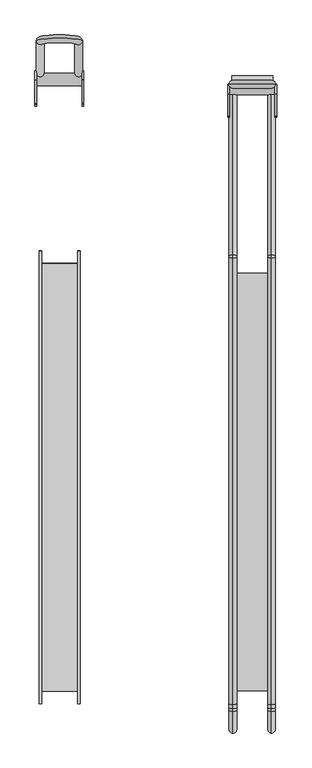
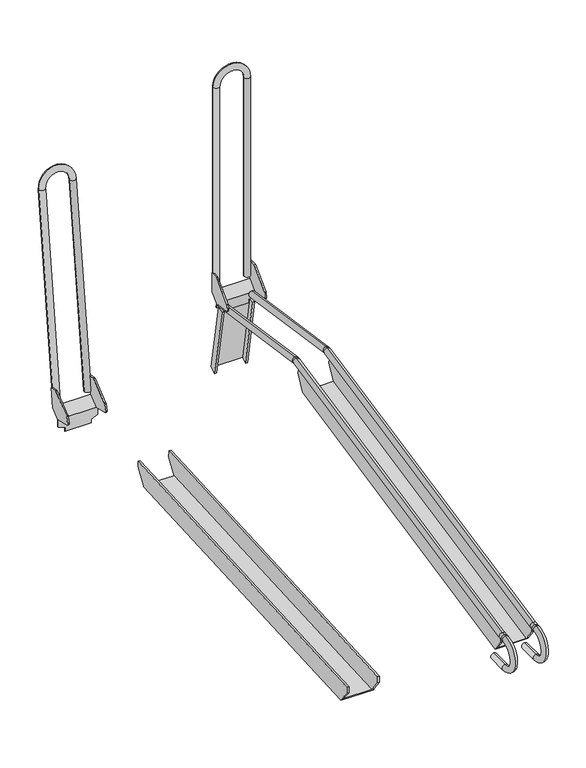
"""IFC4 building model written with IfcOpenShell, lengths in millimetres: proxy geometry."""

from ifc_helpers import new_model, si_unit, point, frame, origin, place, context, project, spatial, circle_curve, ellipse_curve, trimmed, faceted_brep, source, transform, mapped, element, save
from ifc_brep_helpers import plane_surface, cylinder_surface, revolved_surface, advanced_brep


def parking_2e45884c(model_context):
    return source(origin(), model_context, "Body", "SolidModel", [
        faceted_brep([(-437.085582, 221.7803069, 120.6228524), (-437.085582, 220.8092216, 136.8031355), (-437.085582, -715.6649161, 86.2652952), (-437.085582, -715.6649161, 69.7625833), (-437.085582, -689.6030024, 36.404855), (-437.085582, 196.7109185, 84.235745), (-442.2050429, 221.7803069, 120.6228524), (-442.2050429, 196.7109185, 84.235745), (-442.2050429, 196.8321504, 81.9892981), (-442.2050429, -689.3392948, 34.166097), (-442.2050429, -689.4605268, 36.4125439), (-442.2050429, -715.6649161, 69.7625833), (-442.2050429, -715.6649161, 86.2652952), (-442.2050429, 220.8092216, 136.8031355), (-362.2050429, 221.7803069, 120.6228524), (-362.2050429, 196.7109185, 84.235745), (-362.2050429, -689.6030024, 36.404855), (-362.2050429, -715.6649161, 69.7625833), (-362.2050429, -715.6649161, 86.2652952), (-362.2050429, 220.8092216, 136.8031355), (-357.085582, 221.7803069, 120.6228524), (-357.085582, 220.8092216, 136.8031355), (-357.085582, -715.6649161, 86.2652952), (-357.085582, -715.6649161, 69.7625833), (-357.085582, -689.6030024, 36.404855), (-357.085582, -689.3392948, 34.166097), (-357.085582, 196.8321504, 81.9892981), (-357.085582, 196.7109185, 84.235745), (-400.0, 196.8321504, 81.9892981), (-400.0, 196.7109185, 84.235745)], [[[0, 1, 2, 3, 4, 5]], [[6, 7, 8, 9, 10, 11, 12, 13]], [[1, 0, 6, 13]], [[2, 1, 13, 12]], [[0, 5, 7, 6]], [[3, 2, 12, 11]], [[4, 3, 11, 10]], [[14, 15, 16, 17, 18, 19]], [[20, 21, 22, 23, 24, 25, 26, 27]], [[14, 19, 21, 20]], [[19, 18, 22, 21]], [[15, 14, 20, 27]], [[17, 16, 24, 23]], [[18, 17, 23, 22]], [[26, 25, 9, 8, 28]], [[29, 5, 4, 16, 15]], [[9, 25, 24, 16, 4, 10]], [[28, 8, 7, 5, 29]], [[26, 28, 29, 15, 27]]]),
        faceted_brep([(-37.4402695, 194.6285646, 254.5534893), (-37.4402695, 190.4667843, 274.1331264), (-37.4402695, -715.6649161, 87.2333263), (-37.4402695, -715.6649161, 69.7625833), (-37.4402695, -689.6341335, 36.4447009), (-37.4402695, -689.4527585, 36.4821115), (-37.4402695, 175.2582347, 214.8384274), (-42.5597305, 194.6285646, 254.5534893), (-42.5597305, 175.2582347, 214.8384274), (-42.5597305, 175.7126971, 212.6350926), (-42.5597305, -688.998296, 34.2787767), (-42.5597305, -689.4527585, 36.4821115), (-42.5597305, -689.6341335, 36.4447009), (-42.5597305, -715.6649161, 69.7625833), (-42.5597305, -715.6649161, 87.2333263), (-42.5597305, 190.4667843, 274.1331264), (37.4402695, 194.6285646, 254.5534893), (37.4402695, 175.2582347, 214.8384274), (37.4402695, -689.4527585, 36.4821115), (37.4402695, -689.6341335, 36.4447009), (37.4402695, -715.6649161, 69.7625833), (37.4402695, -715.6649161, 87.2333263), (37.4402695, 190.4667843, 274.1331264), (42.5597305, 194.6285646, 254.5534893), (42.5597305, 190.4667843, 274.1331264), (42.5597305, -715.6649161, 87.2333263), (42.5597305, -715.6649161, 69.7625833), (42.5597305, -689.6341335, 36.4447009), (42.5597305, -689.4527585, 36.4821115), (42.5597305, -688.998296, 34.2787767), (42.5597305, 175.7126971, 212.6350926), (42.5597305, 175.2582347, 214.8384274), (-0.3546876, 175.7126971, 212.6350926), (-0.3546876, 175.2582347, 214.8384274)], [[[0, 1, 2, 3, 4, 5, 6]], [[7, 8, 9, 10, 11, 12, 13, 14, 15]], [[1, 0, 7, 15]], [[2, 1, 15, 14]], [[3, 2, 14, 13]], [[4, 3, 13, 12]], [[4, 12, 11, 5]], [[0, 6, 8, 7]], [[16, 17, 18, 19, 20, 21, 22]], [[23, 24, 25, 26, 27, 28, 29, 30, 31]], [[16, 22, 24, 23]], [[22, 21, 25, 24]], [[21, 20, 26, 25]], [[20, 19, 27, 26]], [[27, 19, 18, 28]], [[17, 16, 23, 31]], [[30, 29, 10, 9, 32]], [[33, 6, 5, 18, 17]], [[10, 29, 28, 18, 5, 11]], [[32, 9, 8, 6, 33]], [[30, 32, 33, 17, 31]]]),
        advanced_brep(
        [(40.0000067, 545.1160698, 237.5190174), (40.0000067, 542.7546404, 221.6369419), (40.0000067, 213.7587528, 286.7869426), (40.0000067, 211.3973234, 270.9048671), (40.0000067, 209.9234726, 270.8642514), (40.0000067, 206.6909494, 286.5921713), (40.0000067, -717.4596061, 96.6536338), (40.0000067, -714.2270829, 80.9257139), (40.0000067, -678.7366907, 0.6872981), (40.0000067, -678.7366907, 16.7439687), (40.0000067, -729.4794847, 16.7439687), (40.0000067, -729.4794847, 0.6872981), (40.0000067, -731.1691463, 79.2548333), (40.0000067, -732.0365326, 95.2880586), (40.0000067, -724.2865985, 79.6271743), (40.0000067, -725.1539848, 95.6603996)],
        [
            (0, 1, circle_curve(frame((40.0000067, 543.9353551, 229.5779796), z_axis=(0.0, 0.9891263194603436, -0.14706843356354454), x_axis=(0.0, -0.14706843356354452, -0.9891263194603434)), 8.0283353)),
            (1, 0, circle_curve(frame((40.0000067, 543.9353551, 229.5779796), z_axis=(0.0, 0.9891263194603436, -0.14706843356354454), x_axis=(0.0, -0.14706843356354452, -0.9891263194603434)), 8.0283353)),
            (0, 2),
            (2, 3, circle_curve(frame((40.0000067, 212.5780381, 278.8459049), z_axis=(0.0, 0.9891263194603436, -0.14706843356354454), x_axis=(0.0, -0.14706843356354452, -0.9891263194603434)), 8.0283353)),
            (3, 1),
            (3, 2, circle_curve(frame((40.0000067, 212.5780381, 278.8459049), z_axis=(0.0, 0.9891263194603436, -0.14706843356354454), x_axis=(0.0, -0.14706843356354452, -0.9891263194603434)), 8.0283353)),
            (4, 5, circle_curve(frame((40.0000067, 208.307211, 278.7282114), z_axis=(0.0, -0.9795256001404008, -0.20131964302965505), x_axis=(0.0, 0.20131964302965505, -0.9795256001404008)), 8.0283353)),
            (5, 6),
            (6, 7, circle_curve(frame((40.0000067, -715.8433445, 88.7896739), z_axis=(0.0, 0.9795256001404008, 0.20131964302965505), x_axis=(0.0, 0.20131964302965505, -0.9795256001404008)), 8.0283353)),
            (7, 4),
            (5, 4, circle_curve(frame((40.0000067, 208.307211, 278.7282114), z_axis=(0.0, -0.9795256001404008, -0.20131964302965505), x_axis=(0.0, 0.20131964302965505, -0.9795256001404008)), 8.0283353)),
            (7, 6, circle_curve(frame((40.0000067, -715.8433445, 88.7896739), z_axis=(0.0, 0.9795256001404008, 0.20131964302965505), x_axis=(0.0, 0.20131964302965505, -0.9795256001404008)), 8.0283353)),
            (8, 9, circle_curve(frame((40.0000067, -678.7366907, 8.7156334), z_axis=(0.0, 1.0, 0.0), x_axis=(0.0, 0.0, 1.0)), 8.0283353)),
            (9, 8, circle_curve(frame((40.0000067, -678.7366907, 8.7156334), z_axis=(0.0, 1.0, 0.0), x_axis=(0.0, 0.0, 1.0)), 8.0283353)),
            (10, 11, circle_curve(frame((40.0000067, -729.4794847, 8.7156334), z_axis=(0.0, 1.0, 0.0), x_axis=(0.0, 0.0, 1.0)), 8.0283353)),
            (11, 8),
            (9, 10),
            (11, 10, circle_curve(frame((40.0000067, -729.4794847, 8.7156334), z_axis=(0.0, 1.0, 0.0), x_axis=(0.0, 0.0, 1.0)), 8.0283353)),
            (10, 12, circle_curve(frame((40.0000067, -729.4794847, 48.0222367), z_axis=(-1.0, 0.0, 0.0), x_axis=(0.0, -0.0540203076964374, 0.9985398371404028)), 31.278268)),
            (12, 13, circle_curve(frame((40.0000067, -731.6028395, 87.2714459), z_axis=(0.0, -0.9985398371404028, -0.05402030769643744), x_axis=(0.0, 0.05402030769643744, -0.9985398371404028)), 8.0283353)),
            (13, 11, circle_curve(frame((40.0000067, -729.4794847, 48.0222367), z_axis=(1.0, 0.0, 0.0), x_axis=(0.0, -0.0540203076964374, 0.9985398371404028)), 47.3349386)),
            (13, 12, circle_curve(frame((40.0000067, -731.6028395, 87.2714459), z_axis=(0.0, -0.9985398371404028, -0.05402030769643744), x_axis=(0.0, 0.05402030769643744, -0.9985398371404028)), 8.0283353)),
            (4, 3, circle_curve(frame((40.0000067, 210.7751525, 266.7203823), z_axis=(-1.0, 0.0, 0.0), x_axis=(0.0, 0.14706843356353932, 0.9891263194603441)), 4.2304857)),
            (2, 5, circle_curve(frame((40.0000067, 210.7751525, 266.7203823), z_axis=(1.0, 0.0, 0.0), x_axis=(0.0, 0.14706843356353932, 0.9891263194603441)), 20.2871563)),
            (14, 7, circle_curve(frame((40.0000067, -727.9758082, 147.82047), z_axis=(1.0, 0.0, 0.0), x_axis=(0.0, 0.2013196430296586, -0.9795256001404)), 68.2930146)),
            (6, 15, circle_curve(frame((40.0000067, -727.9758082, 147.82047), z_axis=(-1.0, 0.0, 0.0), x_axis=(0.0, 0.2013196430296586, -0.9795256001404)), 52.236344)),
            (15, 14, circle_curve(frame((40.0000067, -724.7202917, 87.643787), z_axis=(0.0, 0.9985398371404027, 0.05402030769643995), x_axis=(0.0, 0.05402030769643995, -0.9985398371404027)), 8.0283353)),
            (14, 15, circle_curve(frame((40.0000067, -724.7202917, 87.643787), z_axis=(0.0, 0.9985398371404026, 0.054020307696442255), x_axis=(0.0, 0.054020307696442255, -0.9985398371404026)), 8.0283353)),
            (15, 13),
            (12, 14),
        ],
        [
            plane_surface(frame((480.0000067, 543.9353551, 229.5779796), z_axis=(0.0, 0.9891263194603435, -0.1470684335635446), x_axis=(1.0, 0.0, 0.0))),
            cylinder_surface(frame((40.0000067, 543.9353551, 229.5779796), z_axis=(0.0, 0.9891263194603434, -0.14706843356354452), x_axis=(0.0, -0.14706843356354452, -0.9891263194603434)), 8.0283353),
            cylinder_surface(frame((40.0000067, 208.307211, 278.7282114), z_axis=(0.0, 0.9795256001404008, 0.20131964302965505), x_axis=(0.0, 0.20131964302965505, -0.9795256001404008)), 8.0283353),
            plane_surface(frame((480.0000067, -678.7366907, 8.7156334), z_axis=(0.0, 1.0, 0.0), x_axis=(1.0, 0.0, 0.0))),
            cylinder_surface(frame((40.0000067, -729.4794847, 8.7156334), z_axis=(0.0, -1.0, 0.0), x_axis=(0.0, 0.0, 1.0)), 8.0283353),
            revolved_surface(trimmed(ellipse_curve(frame((40.0000067, -731.6028395, 87.2714459), z_axis=(0.0, 0.9985398371404028, 0.05402030769643744), x_axis=(0.0, 0.05402030769643744, -0.9985398371404028)), 8.0283353, 8.0283353), [point((40.0000067, -732.0365326, 95.2880586))], [point((40.0000067, -731.1691463, 79.2548333))], True, "CARTESIAN"), (480.0000067, -729.4794847, 48.0222367), (1.0, 0.0, 0.0)),
            revolved_surface(trimmed(ellipse_curve(frame((40.0000067, -731.6028395, 87.2714459), z_axis=(0.0, 0.9985398371404028, 0.05402030769643744), x_axis=(0.0, 0.05402030769643744, -0.9985398371404028)), 8.0283353, 8.0283353), [point((40.0000067, -731.1691463, 79.2548333))], [point((40.0000067, -732.0365326, 95.2880586))], True, "CARTESIAN"), (480.0000067, -729.4794847, 48.0222367), (1.0, 0.0, 0.0)),
            revolved_surface(trimmed(ellipse_curve(frame((40.0000067, 212.5780381, 278.8459049), z_axis=(0.0, 0.9891263194603441, -0.14706843356353924), x_axis=(0.0, -0.14706843356353924, -0.9891263194603441)), 8.0283353, 8.0283353), [point((40.0000067, 213.7587528, 286.7869426))], [point((40.0000067, 211.3973234, 270.9048671))], True, "CARTESIAN"), (480.0000067, 210.7751525, 266.7203823), (1.0, 0.0, 0.0)),
            revolved_surface(trimmed(ellipse_curve(frame((40.0000067, 212.5780381, 278.8459049), z_axis=(0.0, 0.9891263194603441, -0.14706843356353924), x_axis=(0.0, -0.14706843356353924, -0.9891263194603441)), 8.0283353, 8.0283353), [point((40.0000067, 211.3973234, 270.9048671))], [point((40.0000067, 213.7587528, 286.7869426))], True, "CARTESIAN"), (480.0000067, 210.7751525, 266.7203823), (1.0, 0.0, 0.0)),
            revolved_surface(trimmed(ellipse_curve(frame((40.0000067, -715.8433445, 88.7896739), z_axis=(0.0, 0.9795256001404, 0.20131964302965866), x_axis=(0.0, 0.20131964302965866, -0.9795256001404)), 8.0283353, 8.0283353), [point((40.0000067, -717.4596061, 96.6536338))], [point((40.0000067, -714.2270829, 80.9257139))], True, "CARTESIAN"), (480.0000067, -727.9758082, 147.82047), (-1.0, 0.0, 0.0)),
            revolved_surface(trimmed(ellipse_curve(frame((40.0000067, -715.8433445, 88.7896739), z_axis=(0.0, 0.9795256001404, 0.20131964302965866), x_axis=(0.0, 0.20131964302965866, -0.9795256001404)), 8.0283353, 8.0283353), [point((40.0000067, -714.2270829, 80.9257139))], [point((40.0000067, -717.4596061, 96.6536338))], True, "CARTESIAN"), (480.0000067, -727.9758082, 147.82047), (-1.0, 0.0, 0.0)),
            cylinder_surface(frame((40.0000067, -724.7202917, 87.643787), z_axis=(0.0, 0.9985398371404028, 0.05402030769644006), x_axis=(0.0, 0.05402030769644006, -0.9985398371404028)), 8.0283353),
        ],
        [
            (0, [[1, 2]]),
            (1, [[-1, 3, 4, 5]]),
            (1, [[-2, -5, 6, -3]]),
            (2, [[7, 8, 9, 10]]),
            (2, [[11, -10, 12, -8]]),
            (3, [[13, 14]]),
            (4, [[15, 16, -14, 17]]),
            (4, [[18, -17, -13, -16]]),
            (5, [[19, 20, 21, -15]]),
            (6, [[-21, 22, -19, -18]]),
            (7, [[23, -4, 24, -7]]),
            (8, [[-24, -6, -23, -11]]),
            (9, [[25, -9, 26, 27]]),
            (10, [[-26, -12, -25, 28]]),
            (11, [[-27, 29, -20, 30]]),
            (11, [[-28, -30, -22, -29]]),
        ],
    ),
        advanced_brep(
        [(-39.9999933, 545.1160698, 237.5190174), (-39.9999933, 542.7546404, 221.6369419), (-39.9999933, 213.7587528, 286.7869426), (-39.9999933, 211.3973234, 270.9048671), (-39.9999933, 209.9234726, 270.8642514), (-39.9999933, 206.6909494, 286.5921713), (-39.9999933, -717.4596061, 96.6536338), (-39.9999933, -714.2270829, 80.9257139), (-39.9999933, -678.7366907, 0.6872981), (-39.9999933, -678.7366907, 16.7439687), (-39.9999933, -729.4794847, 16.7439687), (-39.9999933, -729.4794847, 0.6872981), (-39.9999933, -731.1691463, 79.2548333), (-39.9999933, -732.0365326, 95.2880586), (-39.9999933, -724.2865985, 79.6271743), (-39.9999933, -725.1539848, 95.6603996)],
        [
            (0, 1, circle_curve(frame((-39.9999933, 543.9353551, 229.5779796), z_axis=(0.0, 0.9891263194603436, -0.14706843356354454), x_axis=(0.0, -0.14706843356354452, -0.9891263194603434)), 8.0283353)),
            (1, 0, circle_curve(frame((-39.9999933, 543.9353551, 229.5779796), z_axis=(0.0, 0.9891263194603436, -0.14706843356354454), x_axis=(0.0, -0.14706843356354452, -0.9891263194603434)), 8.0283353)),
            (0, 2),
            (2, 3, circle_curve(frame((-39.9999933, 212.5780381, 278.8459049), z_axis=(0.0, 0.9891263194603436, -0.14706843356354454), x_axis=(0.0, -0.14706843356354452, -0.9891263194603434)), 8.0283353)),
            (3, 1),
            (3, 2, circle_curve(frame((-39.9999933, 212.5780381, 278.8459049), z_axis=(0.0, 0.9891263194603436, -0.14706843356354454), x_axis=(0.0, -0.14706843356354452, -0.9891263194603434)), 8.0283353)),
            (4, 5, circle_curve(frame((-39.9999933, 208.307211, 278.7282114), z_axis=(0.0, -0.9795256001404008, -0.20131964302965505), x_axis=(0.0, 0.20131964302965505, -0.9795256001404008)), 8.0283353)),
            (5, 6),
            (6, 7, circle_curve(frame((-39.9999933, -715.8433445, 88.7896739), z_axis=(0.0, 0.9795256001404008, 0.20131964302965505), x_axis=(0.0, 0.20131964302965505, -0.9795256001404008)), 8.0283353)),
            (7, 4),
            (5, 4, circle_curve(frame((-39.9999933, 208.307211, 278.7282114), z_axis=(0.0, -0.9795256001404008, -0.20131964302965505), x_axis=(0.0, 0.20131964302965505, -0.9795256001404008)), 8.0283353)),
            (7, 6, circle_curve(frame((-39.9999933, -715.8433445, 88.7896739), z_axis=(0.0, 0.9795256001404008, 0.20131964302965505), x_axis=(0.0, 0.20131964302965505, -0.9795256001404008)), 8.0283353)),
            (8, 9, circle_curve(frame((-39.9999933, -678.7366907, 8.7156334), z_axis=(0.0, 1.0, 0.0), x_axis=(0.0, 0.0, 1.0)), 8.0283353)),
            (9, 8, circle_curve(frame((-39.9999933, -678.7366907, 8.7156334), z_axis=(0.0, 1.0, 0.0), x_axis=(0.0, 0.0, 1.0)), 8.0283353)),
            (10, 11, circle_curve(frame((-39.9999933, -729.4794847, 8.7156334), z_axis=(0.0, 1.0, 0.0), x_axis=(0.0, 0.0, 1.0)), 8.0283353)),
            (11, 8),
            (9, 10),
            (11, 10, circle_curve(frame((-39.9999933, -729.4794847, 8.7156334), z_axis=(0.0, 1.0, 0.0), x_axis=(0.0, 0.0, 1.0)), 8.0283353)),
            (10, 12, circle_curve(frame((-39.9999933, -729.4794847, 48.0222367), z_axis=(-1.0, 0.0, 0.0), x_axis=(0.0, -0.05402030769644095, 0.9985398371404026)), 31.278268)),
            (12, 13, circle_curve(frame((-39.9999933, -731.6028395, 87.2714459), z_axis=(0.0, -0.9985398371404026, -0.05402030769644099), x_axis=(0.0, 0.05402030769644099, -0.9985398371404026)), 8.0283353)),
            (13, 11, circle_curve(frame((-39.9999933, -729.4794847, 48.0222367), z_axis=(1.0, 0.0, 0.0), x_axis=(0.0, -0.05402030769644095, 0.9985398371404026)), 47.3349386)),
            (13, 12, circle_curve(frame((-39.9999933, -731.6028395, 87.2714459), z_axis=(0.0, -0.9985398371404026, -0.05402030769644099), x_axis=(0.0, 0.05402030769644099, -0.9985398371404026)), 8.0283353)),
            (4, 3, circle_curve(frame((-39.9999933, 210.7751525, 266.7203823), z_axis=(-1.0, 0.0, 0.0), x_axis=(0.0, 0.14706843356353932, 0.9891263194603441)), 4.2304857)),
            (2, 5, circle_curve(frame((-39.9999933, 210.7751525, 266.7203823), z_axis=(1.0, 0.0, 0.0), x_axis=(0.0, 0.14706843356353932, 0.9891263194603441)), 20.2871563)),
            (14, 7, circle_curve(frame((-39.9999933, -727.9758082, 147.82047), z_axis=(1.0, 0.0, 0.0), x_axis=(0.0, 0.2013196430296586, -0.9795256001404)), 68.2930146)),
            (6, 15, circle_curve(frame((-39.9999933, -727.9758082, 147.82047), z_axis=(-1.0, 0.0, 0.0), x_axis=(0.0, 0.2013196430296586, -0.9795256001404)), 52.236344)),
            (15, 14, circle_curve(frame((-39.9999933, -724.7202917, 87.643787), z_axis=(0.0, 0.9985398371404027, 0.054020307696440395), x_axis=(0.0, 0.054020307696440395, -0.9985398371404027)), 8.0283353)),
            (14, 15, circle_curve(frame((-39.9999933, -724.7202917, 87.643787), z_axis=(0.0, 0.9985398371404026, 0.054020307696442615), x_axis=(0.0, 0.054020307696442615, -0.9985398371404026)), 8.0283353)),
            (15, 13),
            (12, 14),
        ],
        [
            plane_surface(frame((0.0, 543.9353551, 229.5779796), z_axis=(0.0, 0.9891263194603435, -0.1470684335635446), x_axis=(1.0, 0.0, 0.0))),
            cylinder_surface(frame((-39.9999933, 543.9353551, 229.5779796), z_axis=(0.0, 0.9891263194603434, -0.14706843356354452), x_axis=(0.0, -0.14706843356354452, -0.9891263194603434)), 8.0283353),
            cylinder_surface(frame((-39.9999933, 208.307211, 278.7282114), z_axis=(0.0, 0.9795256001404008, 0.20131964302965505), x_axis=(0.0, 0.20131964302965505, -0.9795256001404008)), 8.0283353),
            plane_surface(frame((0.0, -678.7366907, 8.7156334), z_axis=(0.0, 1.0, 0.0), x_axis=(1.0, 0.0, 0.0))),
            cylinder_surface(frame((-39.9999933, -729.4794847, 8.7156334), z_axis=(0.0, -1.0, 0.0), x_axis=(0.0, 0.0, 1.0)), 8.0283353),
            revolved_surface(trimmed(ellipse_curve(frame((-39.9999933, -731.6028395, 87.2714459), z_axis=(0.0, 0.9985398371404026, 0.05402030769644099), x_axis=(0.0, 0.05402030769644099, -0.9985398371404026)), 8.0283353, 8.0283353), [point((-39.9999933, -732.0365326, 95.2880586))], [point((-39.9999933, -731.1691463, 79.2548333))], True, "CARTESIAN"), (0.0, -729.4794847, 48.0222367), (1.0, 0.0, 0.0)),
            revolved_surface(trimmed(ellipse_curve(frame((-39.9999933, -731.6028395, 87.2714459), z_axis=(0.0, 0.9985398371404026, 0.05402030769644099), x_axis=(0.0, 0.05402030769644099, -0.9985398371404026)), 8.0283353, 8.0283353), [point((-39.9999933, -731.1691463, 79.2548333))], [point((-39.9999933, -732.0365326, 95.2880586))], True, "CARTESIAN"), (0.0, -729.4794847, 48.0222367), (1.0, 0.0, 0.0)),
            revolved_surface(trimmed(ellipse_curve(frame((-39.9999933, 212.5780381, 278.8459049), z_axis=(0.0, 0.9891263194603441, -0.14706843356353924), x_axis=(0.0, -0.14706843356353924, -0.9891263194603441)), 8.0283353, 8.0283353), [point((-39.9999933, 213.7587528, 286.7869426))], [point((-39.9999933, 211.3973234, 270.9048671))], True, "CARTESIAN"), (0.0, 210.7751525, 266.7203823), (1.0, 0.0, 0.0)),
            revolved_surface(trimmed(ellipse_curve(frame((-39.9999933, 212.5780381, 278.8459049), z_axis=(0.0, 0.9891263194603441, -0.14706843356353924), x_axis=(0.0, -0.14706843356353924, -0.9891263194603441)), 8.0283353, 8.0283353), [point((-39.9999933, 211.3973234, 270.9048671))], [point((-39.9999933, 213.7587528, 286.7869426))], True, "CARTESIAN"), (0.0, 210.7751525, 266.7203823), (1.0, 0.0, 0.0)),
            revolved_surface(trimmed(ellipse_curve(frame((-39.9999933, -715.8433445, 88.7896739), z_axis=(0.0, 0.9795256001404, 0.20131964302965866), x_axis=(0.0, 0.20131964302965866, -0.9795256001404)), 8.0283353, 8.0283353), [point((-39.9999933, -717.4596061, 96.6536338))], [point((-39.9999933, -714.2270829, 80.9257139))], True, "CARTESIAN"), (0.0, -727.9758082, 147.82047), (-1.0, 0.0, 0.0)),
            revolved_surface(trimmed(ellipse_curve(frame((-39.9999933, -715.8433445, 88.7896739), z_axis=(0.0, 0.9795256001404, 0.20131964302965866), x_axis=(0.0, 0.20131964302965866, -0.9795256001404)), 8.0283353, 8.0283353), [point((-39.9999933, -714.2270829, 80.9257139))], [point((-39.9999933, -717.4596061, 96.6536338))], True, "CARTESIAN"), (0.0, -727.9758082, 147.82047), (-1.0, 0.0, 0.0)),
            cylinder_surface(frame((-39.9999933, -724.7202917, 87.643787), z_axis=(0.0, 0.9985398371404028, 0.05402030769644006), x_axis=(0.0, 0.05402030769644006, -0.9985398371404028)), 8.0283353),
        ],
        [
            (0, [[1, 2]]),
            (1, [[-1, 3, 4, 5]]),
            (1, [[-2, -5, 6, -3]]),
            (2, [[7, 8, 9, 10]]),
            (2, [[11, -10, 12, -8]]),
            (3, [[13, 14]]),
            (4, [[15, 16, -14, 17]]),
            (4, [[18, -17, -13, -16]]),
            (5, [[19, 20, 21, -15]]),
            (6, [[-21, 22, -19, -18]]),
            (7, [[23, -4, 24, -7]]),
            (8, [[-24, -6, -23, -11]]),
            (9, [[25, -9, 26, 27]]),
            (10, [[-26, -12, -25, 28]]),
            (11, [[-27, 29, -20, 30]]),
            (11, [[-28, -30, -22, -29]]),
        ],
    ),
        advanced_brep(
        [(-349.1811577, 565.6416002, 44.5364845), (-349.1811577, 589.2519533, 63.0446241), (-349.1811577, 595.4565216, 114.262995), (-349.1811577, 576.5959669, 116.5477533), (-349.1811577, 575.1215703, 116.1362921), (-349.1811577, 527.1994208, 78.5701519), (-349.1811577, 526.138175, 76.930163), (-349.1811577, 521.8246807, 59.5094341), (-349.1811577, 524.7480023, 54.6620253), (-349.1811577, 563.5616628, 45.0514916), (-349.1811577, 563.5616628, 24.6645516), (-349.1811577, 565.6416002, 24.6645516), (-450.8188423, 589.2519533, 63.0446241), (-450.8188423, 565.6416002, 44.5364845), (-450.8188423, 565.6416002, 24.6645516), (-450.8188423, 563.5616628, 24.6645516), (-450.8188423, 563.5616628, 45.0514916), (-450.8188423, 524.7480023, 54.6620253), (-450.8188423, 521.8246807, 59.5094341), (-450.8188423, 526.138175, 76.930163), (-450.8188423, 527.1994208, 78.5701519), (-450.8188423, 575.1215703, 116.1362921), (-450.8188423, 576.5959669, 116.5477533), (-450.8188423, 595.4565216, 114.262995), (-447.2690307, 595.4565216, 114.262995), (-447.2690307, 589.5391244, 65.4152059), (-352.7309694, 589.5391244, 65.4152059), (-352.7309694, 595.4565216, 114.262995), (-447.2690307, 563.5616628, 45.0514916), (-352.7309694, 563.5616628, 45.0514916), (-352.7309694, 565.6416002, 44.5364845), (-447.2690307, 565.6416002, 44.5364845), (-433.7347779, 563.5616628, 17.4127965), (-433.7347779, 563.5616628, 7.4127965), (-366.2652221, 563.5616628, 7.4127965), (-366.2652221, 563.5616628, 17.4127965), (-366.2652221, 565.6416002, 17.4127965), (-366.2652221, 565.6416002, 7.4127965), (-433.7347779, 565.6416002, 7.4127965), (-433.7347779, 565.6416002, 17.4127965), (-447.2690307, 576.5959669, 116.5477533), (-447.2690307, 575.1215703, 116.1362921), (-447.2690307, 527.1994208, 78.5701519), (-447.2690307, 526.138175, 76.930163), (-447.2690307, 521.8246807, 59.5094341), (-447.2690307, 524.7480023, 54.6620253), (-352.7309694, 524.7480023, 54.6620253), (-352.7309694, 521.8246807, 59.5094341), (-352.7309694, 526.138175, 76.930163), (-352.7309694, 527.1994208, 78.5701519), (-352.7309694, 575.1215703, 116.1362921), (-352.7309694, 576.5959669, 116.5477533)],
        [
            (0, 1),
            (1, 2),
            (2, 3),
            (3, 4, circle_curve(frame((-349.1811577, 576.3554463, 114.5622685), z_axis=(1.0, 0.0, 0.0), x_axis=(0.0, 0.9993329440952969, 0.036519403689357466)), 2.0)),
            (4, 5),
            (5, 6, circle_curve(frame((-349.1811577, 529.0502347, 76.2091166), z_axis=(1.0, 0.0, 0.0), x_axis=(0.0, 0.9993329440952969, 0.036519403689357466)), 3.0)),
            (6, 7),
            (7, 8, circle_curve(frame((-349.1811577, 525.7100459, 58.5473905), z_axis=(1.0, 0.0, 0.0), x_axis=(0.0, 0.9993329440952969, 0.036519403689357466)), 4.0026979)),
            (8, 9),
            (9, 10),
            (10, 11),
            (11, 0),
            (12, 13),
            (13, 14),
            (14, 15),
            (15, 16),
            (16, 17),
            (17, 18, circle_curve(frame((-450.8188423, 525.7100459, 58.5473905), z_axis=(-1.0, 0.0, 0.0), x_axis=(0.0, 0.9993329440952969, 0.036519403689357466)), 4.0026979)),
            (18, 19),
            (19, 20, circle_curve(frame((-450.8188423, 529.0502347, 76.2091166), z_axis=(-1.0, 0.0, 0.0), x_axis=(0.0, 0.9993329440952969, 0.036519403689357466)), 3.0)),
            (20, 21),
            (21, 22, circle_curve(frame((-450.8188423, 576.3554463, 114.5622685), z_axis=(-1.0, 0.0, 0.0), x_axis=(0.0, 0.9993329440952969, 0.036519403689357466)), 2.0)),
            (22, 23),
            (23, 12),
            (1, 12),
            (23, 24),
            (24, 25),
            (25, 26),
            (26, 27),
            (27, 2),
            (25, 28),
            (28, 29),
            (29, 26),
            (0, 30),
            (30, 31),
            (31, 13),
            (9, 29),
            (28, 16),
            (15, 32),
            (32, 33),
            (33, 34),
            (34, 35),
            (35, 10),
            (11, 36),
            (36, 37),
            (37, 38),
            (38, 39),
            (39, 14),
            (39, 32),
            (35, 36),
            (34, 37),
            (33, 38),
            (24, 40),
            (40, 41, circle_curve(frame((-447.2690307, 576.3554463, 114.5622685), z_axis=(1.0, 0.0, 0.0), x_axis=(0.0, 0.9993329440952969, 0.036519403689357466)), 2.0)),
            (41, 42),
            (42, 43, circle_curve(frame((-447.2690307, 529.0502347, 76.2091166), z_axis=(1.0, 0.0, 0.0), x_axis=(0.0, 0.9993329440952969, 0.036519403689357466)), 3.0)),
            (43, 44),
            (44, 45, circle_curve(frame((-447.2690307, 525.7100459, 58.5473905), z_axis=(1.0, 0.0, 0.0), x_axis=(0.0, 0.9993329440952969, 0.036519403689357466)), 4.0026979)),
            (45, 28),
            (22, 40),
            (41, 21),
            (20, 42),
            (43, 19),
            (18, 44),
            (45, 17),
            (46, 47, circle_curve(frame((-352.7309694, 525.7100459, 58.5473905), z_axis=(-1.0, 0.0, 0.0), x_axis=(0.0, 0.9993329440952969, 0.036519403689357466)), 4.0026979)),
            (47, 48),
            (48, 49, circle_curve(frame((-352.7309694, 529.0502347, 76.2091166), z_axis=(-1.0, 0.0, 0.0), x_axis=(0.0, 0.9993329440952969, 0.036519403689357466)), 3.0)),
            (49, 50),
            (50, 51, circle_curve(frame((-352.7309694, 576.3554463, 114.5622685), z_axis=(-1.0, 0.0, 0.0), x_axis=(0.0, 0.9993329440952969, 0.036519403689357466)), 2.0)),
            (51, 27),
            (29, 46),
            (8, 46),
            (7, 47),
            (6, 48),
            (5, 49),
            (4, 50),
            (3, 51),
        ],
        [
            plane_surface(frame((-349.1811577, 565.2123306, 46.345449), z_axis=(1.0, 0.0, 0.0), x_axis=(0.0, -0.7870117679007277, -0.6169379848783597))),
            plane_surface(frame((-450.8188423, 565.2123306, 46.345449), z_axis=(-1.0, 0.0, 0.0), x_axis=(0.0, 0.7870117679007277, 0.6169379848783597))),
            plane_surface(frame((-349.1811577, 589.2519533, 63.0446241), z_axis=(0.0, 0.9927423906352683, -0.1202603252771778), x_axis=(-1.0, 0.0, 0.0))),
            plane_surface(frame((-349.1811577, 589.5391244, 65.4152059), z_axis=(0.0, -0.6169379848783597, 0.7870117679007277), x_axis=(-1.0, 0.0, 0.0))),
            plane_surface(frame((-349.1811577, 565.6416002, 44.5364845), z_axis=(0.0, 0.6169379848783604, -0.7870117679007271), x_axis=(-1.0, 0.0, 0.0))),
            plane_surface(frame((-349.1811577, 563.5616628, 45.0514916), z_axis=(0.0, -1.0, 0.0), x_axis=(-1.0, 0.0, 0.0))),
            plane_surface(frame((-349.1811577, 565.6416002, 4.1342929), z_axis=(0.0, 1.0, 0.0), x_axis=(-1.0, 0.0, 0.0))),
            plane_surface(frame((-433.7347779, 530.7601465, 17.4127965), z_axis=(-0.39073112848927327, 0.0, -0.9205048534524405), x_axis=(0.0, 1.0, 0.0))),
            plane_surface(frame((-349.1811577, 530.7601465, 24.6645516), z_axis=(0.39073112848927294, 0.0, -0.9205048534524407), x_axis=(0.0, 1.0, 0.0))),
            plane_surface(frame((-366.2652221, 530.7601465, 17.4127965), z_axis=(1.0, 0.0, 0.0), x_axis=(0.0, 1.0, 0.0))),
            plane_surface(frame((-366.2652221, 530.7601465, 7.4127965), z_axis=(0.0, 0.0, -1.0), x_axis=(0.0, 1.0, 0.0))),
            plane_surface(frame((-433.7347779, 530.7601465, 7.4127965), z_axis=(-1.0, 0.0, 0.0), x_axis=(0.0, 1.0, 0.0))),
            plane_surface(frame((-447.2690307, 599.0643313, 144.0452667), z_axis=(1.0, 0.0, 0.0), x_axis=(0.0, 0.12026032527716275, 0.99274239063527))),
            plane_surface(frame((-447.2690307, 595.4565216, 114.262995), z_axis=(0.0, 0.12026032527716858, 0.9927423906352694), x_axis=(-1.0, 0.0, 0.0))),
            plane_surface(frame((-447.2690307, 575.1215703, 116.1362921), z_axis=(0.0, -0.6169379848783629, 0.7870117679007252), x_axis=(-1.0, 0.0, 0.0))),
            plane_surface(frame((-447.2690307, 526.138175, 76.930163), z_axis=(0.0, -0.9706865925170237, 0.2403487863661677), x_axis=(-1.0, 0.0, 0.0))),
            plane_surface(frame((-447.2690307, 524.7480023, 54.6620253), z_axis=(0.0, -0.24034878636616136, -0.9706865925170252), x_axis=(-1.0, 0.0, 0.0))),
            plane_surface(frame((-352.7309694, 589.0810198, 62.9106294), z_axis=(-1.0000000000000002, 0.0, 0.0), x_axis=(0.0, -0.7870117679007274, -0.6169379848783603))),
            cylinder_surface(frame((-450.8188423, 525.7100459, 58.5473905), z_axis=(1.0000000000000002, 0.0, 0.0), x_axis=(0.0, 0.9993329440952969, 0.036519403689357466)), 4.0026979),
            cylinder_surface(frame((-450.8188423, 576.3554463, 114.5622685), z_axis=(1.0000000000000002, 0.0, 0.0), x_axis=(0.0, 0.9993329440952969, 0.036519403689357466)), 2.0),
            cylinder_surface(frame((-450.8188423, 529.0502347, 76.2091166), z_axis=(1.0000000000000002, 0.0, 0.0), x_axis=(0.0, 0.9993329440952969, 0.036519403689357466)), 3.0),
            plane_surface(frame((-352.7309694, 565.6416002, 44.5364845), z_axis=(0.0, -0.24034878636616136, -0.9706865925170252), x_axis=(1.0, 0.0, 0.0))),
            cylinder_surface(frame((-349.1811577, 525.7100459, 58.5473905), z_axis=(-1.0000000000000002, 0.0, 0.0), x_axis=(0.0, 0.9993329440952969, 0.036519403689357466)), 4.0026979),
            plane_surface(frame((-352.7309694, 521.8246807, 59.5094341), z_axis=(0.0, -0.9706865925170237, 0.24034878636616758), x_axis=(1.0, 0.0, 0.0))),
            cylinder_surface(frame((-349.1811577, 529.0502347, 76.2091166), z_axis=(-1.0000000000000002, 0.0, 0.0), x_axis=(0.0, 0.9993329440952969, 0.036519403689357466)), 3.0),
            plane_surface(frame((-352.7309694, 527.1994208, 78.5701519), z_axis=(0.0, -0.6169379848783629, 0.7870117679007252), x_axis=(1.0, 0.0, 0.0))),
            cylinder_surface(frame((-349.1811577, 576.3554463, 114.5622685), z_axis=(-1.0000000000000002, 0.0, 0.0), x_axis=(0.0, 0.9993329440952969, 0.036519403689357466)), 2.0),
            plane_surface(frame((-352.7309694, 576.5959669, 116.5477533), z_axis=(0.0, 0.12026032527716858, 0.9927423906352694), x_axis=(1.0, 0.0, 0.0))),
        ],
        [
            (0, [[1, 2, 3, 4, 5, 6, 7, 8, 9, 10, 11, 12]]),
            (1, [[13, 14, 15, 16, 17, 18, 19, 20, 21, 22, 23, 24]]),
            (2, [[-2, 25, -24, 26, 27, 28, 29, 30]]),
            (3, [[31, 32, 33, -28]]),
            (4, [[-25, -1, 34, 35, 36, -13]]),
            (5, [[-10, 37, -32, 38, -16, 39, 40, 41, 42, 43]]),
            (6, [[-12, 44, 45, 46, 47, 48, -14, -36, -35, -34]]),
            (7, [[49, -39, -15, -48]]),
            (8, [[50, -44, -11, -43]]),
            (9, [[-50, -42, 51, -45]]),
            (10, [[-51, -41, 52, -46]]),
            (11, [[-49, -47, -52, -40]]),
            (12, [[53, 54, 55, 56, 57, 58, 59, -31, -27]]),
            (13, [[-53, -26, -23, 60]]),
            (14, [[-55, 61, -21, 62]]),
            (15, [[-57, 63, -19, 64]]),
            (16, [[65, -17, -38, -59]]),
            (17, [[66, 67, 68, 69, 70, 71, -29, -33, 72]]),
            (18, [[-58, -64, -18, -65]]),
            (19, [[-54, -60, -22, -61]]),
            (20, [[-56, -62, -20, -63]]),
            (21, [[73, -72, -37, -9]]),
            (22, [[-66, -73, -8, 74]]),
            (23, [[-67, -74, -7, 75]]),
            (24, [[-68, -75, -6, 76]]),
            (25, [[-69, -76, -5, 77]]),
            (26, [[-70, -77, -4, 78]]),
            (27, [[-71, -78, -3, -30]]),
        ],
    ),
        advanced_brep(
        [(-431.9716647, 590.8766249, 76.9039447), (-448.0283353, 590.8766249, 76.9039447), (-431.9716647, 656.2792539, 616.7990611), (-448.0283353, 656.2792539, 616.7990611), (-351.9716647, 656.2792539, 616.7990611), (-368.0283353, 656.2792539, 616.7990611), (-368.0283353, 590.8766249, 76.9039447), (-351.9716647, 590.8766249, 76.9039447)],
        [
            (0, 1, circle_curve(frame((-440.0, 590.8766249, 76.9039447), z_axis=(0.0, -0.12026032527716479, -0.9927423906352698), x_axis=(-1.0, 0.0, 0.0)), 8.0283353)),
            (1, 0, circle_curve(frame((-440.0, 590.8766249, 76.9039447), z_axis=(0.0, -0.12026032527716479, -0.9927423906352698), x_axis=(-1.0, 0.0, 0.0)), 8.0283353)),
            (0, 2),
            (2, 3, circle_curve(frame((-440.0, 656.2792539, 616.7990611), z_axis=(0.0, -0.12026032527716479, -0.9927423906352698), x_axis=(-1.0, 0.0, 0.0)), 8.0283353)),
            (3, 1),
            (3, 2, circle_curve(frame((-440.0, 656.2792539, 616.7990611), z_axis=(0.0, -0.12026032527716479, -0.9927423906352698), x_axis=(-1.0, 0.0, 0.0)), 8.0283353)),
            (4, 3, circle_curve(frame((-400.0, 656.2792539, 616.7990611), z_axis=(0.0, -0.9927423906352698, 0.12026032527716479), x_axis=(-1.0, 0.0, 0.0)), 48.0283353)),
            (2, 5, circle_curve(frame((-400.0, 656.2792539, 616.7990611), z_axis=(0.0, 0.9927423906352698, -0.12026032527716479), x_axis=(-1.0, 0.0, 0.0)), 31.9716647)),
            (5, 4, circle_curve(frame((-360.0, 656.2792539, 616.7990611), z_axis=(0.0, 0.12026032527716479, 0.9927423906352698), x_axis=(1.0, 0.0, 0.0)), 8.0283353)),
            (4, 5, circle_curve(frame((-360.0, 656.2792539, 616.7990611), z_axis=(0.0, 0.12026032527716479, 0.9927423906352698), x_axis=(1.0, 0.0, 0.0)), 8.0283353)),
            (6, 7, circle_curve(frame((-360.0, 590.8766249, 76.9039447), z_axis=(0.0, -0.12026032527716475, -0.9927423906352698), x_axis=(1.0, 0.0, 0.0)), 8.0283353)),
            (7, 6, circle_curve(frame((-360.0, 590.8766249, 76.9039447), z_axis=(0.0, -0.12026032527716475, -0.9927423906352698), x_axis=(1.0, 0.0, 0.0)), 8.0283353)),
            (5, 6),
            (7, 4),
        ],
        [
            plane_surface(frame((-440.0, -51.4341584, 154.7131573), z_axis=(0.0, -0.12026032527716479, -0.9927423906352698), x_axis=(0.0, -0.9927423906352698, 0.12026032527716479))),
            cylinder_surface(frame((-440.0, 590.8766249, 76.9039447), z_axis=(0.0, -0.12026032527716479, -0.9927423906352698), x_axis=(-1.0, 0.0, 0.0)), 8.0283353),
            revolved_surface(trimmed(ellipse_curve(frame((-440.0, 656.2792539, 616.7990611), z_axis=(0.0, -0.12026032527716479, -0.9927423906352698), x_axis=(-1.0, 0.0, 0.0)), 8.0283353, 8.0283353), [point((-431.9716647, 656.2792539, 616.7990611))], [point((-448.0283353, 656.2792539, 616.7990611))], True, "CARTESIAN"), (-400.0, 13.9684706, 694.6082737), (0.0, 0.9927423906352698, -0.12026032527716479)),
            revolved_surface(trimmed(ellipse_curve(frame((-440.0, 656.2792539, 616.7990611), z_axis=(0.0, -0.12026032527716479, -0.9927423906352698), x_axis=(-1.0, 0.0, 0.0)), 8.0283353, 8.0283353), [point((-448.0283353, 656.2792539, 616.7990611))], [point((-431.9716647, 656.2792539, 616.7990611))], True, "CARTESIAN"), (-400.0, 13.9684706, 694.6082737), (0.0, 0.9927423906352698, -0.12026032527716479)),
            plane_surface(frame((-360.0, -51.4341584, 154.7131573), z_axis=(0.0, -0.12026032527716475, -0.9927423906352698), x_axis=(0.0, -0.9927423906352698, 0.12026032527716475))),
            cylinder_surface(frame((-360.0, 656.2792539, 616.7990611), z_axis=(0.0, 0.12026032527716475, 0.9927423906352698), x_axis=(1.0, 0.0, 0.0)), 8.0283353),
        ],
        [
            (0, [[1, 2]]),
            (1, [[-1, 3, 4, 5]]),
            (1, [[-2, -5, 6, -3]]),
            (2, [[7, -4, 8, 9]]),
            (3, [[-8, -6, -7, 10]]),
            (4, [[11, 12]]),
            (5, [[-9, 13, -12, 14]]),
            (5, [[-10, -14, -11, -13]]),
        ],
    ),
        advanced_brep(
        [(-31.9716647, 567.029181, 267.481457), (-48.0283353, 567.029181, 267.481457), (-31.9716647, 567.029181, 811.323567), (-48.0283353, 567.029181, 811.323567), (48.0283353, 567.029181, 811.323567), (31.9716647, 567.029181, 811.323567), (31.9716647, 567.029181, 267.481457), (48.0283353, 567.029181, 267.481457)],
        [
            (0, 1, circle_curve(frame((-40.0, 567.029181, 267.481457), z_axis=(0.0, 0.0, -1.0), x_axis=(-1.0, 0.0, 0.0)), 8.0283353)),
            (1, 0, circle_curve(frame((-40.0, 567.029181, 267.481457), z_axis=(0.0, 0.0, -1.0), x_axis=(-1.0, 0.0, 0.0)), 8.0283353)),
            (0, 2),
            (2, 3, circle_curve(frame((-40.0, 567.029181, 811.323567), z_axis=(0.0, 0.0, -1.0), x_axis=(-1.0, 0.0, 0.0)), 8.0283353)),
            (3, 1),
            (3, 2, circle_curve(frame((-40.0, 567.029181, 811.323567), z_axis=(0.0, 0.0, -1.0), x_axis=(-1.0, 0.0, 0.0)), 8.0283353)),
            (4, 3, circle_curve(frame((0.0, 567.029181, 811.323567), z_axis=(0.0, -1.0, 0.0), x_axis=(-1.0, 0.0, 0.0)), 48.0283353)),
            (2, 5, circle_curve(frame((0.0, 567.029181, 811.323567), z_axis=(0.0, 1.0, 0.0), x_axis=(-1.0, 0.0, 0.0)), 31.9716647)),
            (5, 4, circle_curve(frame((40.0, 567.029181, 811.323567), z_axis=(0.0, 0.0, 1.0), x_axis=(1.0, 0.0, 0.0)), 8.0283353)),
            (4, 5, circle_curve(frame((40.0, 567.029181, 811.323567), z_axis=(0.0, 0.0, 1.0), x_axis=(1.0, 0.0, 0.0)), 8.0283353)),
            (6, 7, circle_curve(frame((40.0, 567.029181, 267.481457), z_axis=(0.0, 0.0, -1.0), x_axis=(1.0, 0.0, 0.0)), 8.0283353)),
            (7, 6, circle_curve(frame((40.0, 567.029181, 267.481457), z_axis=(0.0, 0.0, -1.0), x_axis=(1.0, 0.0, 0.0)), 8.0283353)),
            (5, 6),
            (7, 4),
        ],
        [
            plane_surface(frame((-40.0, 0.0, 267.481457), z_axis=(0.0, 0.0, -1.0), x_axis=(0.0, -1.0, 0.0))),
            cylinder_surface(frame((-40.0, 567.029181, 267.481457), z_axis=(0.0, 0.0, -1.0), x_axis=(-1.0, 0.0, 0.0)), 8.0283353),
            revolved_surface(trimmed(ellipse_curve(frame((-40.0, 567.029181, 811.323567), z_axis=(0.0, 0.0, -1.0), x_axis=(-1.0, 0.0, 0.0)), 8.0283353, 8.0283353), [point((-31.9716647, 567.029181, 811.323567))], [point((-48.0283353, 567.029181, 811.323567))], True, "CARTESIAN"), (0.0, 0.0, 811.323567), (0.0, 1.0, 0.0)),
            revolved_surface(trimmed(ellipse_curve(frame((-40.0, 567.029181, 811.323567), z_axis=(0.0, 0.0, -1.0), x_axis=(-1.0, 0.0, 0.0)), 8.0283353, 8.0283353), [point((-48.0283353, 567.029181, 811.323567))], [point((-31.9716647, 567.029181, 811.323567))], True, "CARTESIAN"), (0.0, 0.0, 811.323567), (0.0, 1.0, 0.0)),
            plane_surface(frame((40.0, 0.0, 267.481457), z_axis=(0.0, 0.0, -1.0), x_axis=(0.0, -1.0, 0.0))),
            cylinder_surface(frame((40.0, 567.029181, 811.323567), z_axis=(0.0, 0.0, 1.0), x_axis=(1.0, 0.0, 0.0)), 8.0283353),
        ],
        [
            (0, [[1, 2]]),
            (1, [[-1, 3, 4, 5]]),
            (1, [[-2, -5, 6, -3]]),
            (2, [[7, -4, 8, 9]]),
            (3, [[-8, -6, -7, 10]]),
            (4, [[11, 12]]),
            (5, [[-9, 13, -12, 14]]),
            (5, [[-10, -14, -11, -13]]),
        ],
    ),
        advanced_brep(
        [(-37.4402695, 550.7117475, 214.7482394), (-37.4402695, 537.1434371, 212.3557802), (-37.4402695, 570.2100407, 24.8257524), (-37.4402695, 582.5935569, 33.9375135), (-42.5597305, 582.5935569, 33.9375135), (-42.5597305, 570.2100407, 24.8257524), (-42.5597305, 537.1434371, 212.3557802), (-42.5597305, 552.927285, 215.1388984), (-42.5597305, 584.8090943, 34.3281726), (42.5597305, 552.927285, 215.1388984), (42.5597305, 584.8090943, 34.3281726), (-0.3546876, 552.927285, 215.1388984), (-33.7347779, 550.7117475, 214.7482394), (37.4402695, 582.5935569, 33.9375135), (37.4402695, 550.7117475, 214.7482394), (33.7347779, 550.7117475, 214.7482394), (33.7347779, 552.4482293, 204.9001619), (-33.7347779, 552.4482293, 204.9001619), (42.5597305, 537.1434371, 212.3557802), (42.5597305, 570.2100407, 24.8257524), (42.5597305, 582.5935569, 33.9375135), (-0.3546876, 550.7117475, 214.7482394), (37.4402695, 537.1434371, 212.3557802), (37.4402695, 570.2100407, 24.8257524), (-47.2690307, 567.083027, 305.1201498), (-47.2690307, 547.256162, 305.1201498), (-47.2690307, 500.8047442, 258.668732), (-47.2690307, 499.9484261, 256.9130197), (-47.2690307, 498.3438511, 243.844805), (-47.2690307, 501.8265584, 239.387143), (-47.2690307, 545.2261228, 234.0583466), (-47.2690307, 567.083027, 255.9152508), (-50.8188423, 567.083027, 305.1201498), (-50.8188423, 547.256162, 305.1201498), (-50.8188423, 500.8047442, 258.668732), (-50.8188423, 499.9484261, 256.9130197), (-50.8188423, 498.3438511, 243.844805), (-50.8188423, 501.8265584, 239.387143), (-50.8188423, 545.2261228, 234.0583466), (50.8188423, 547.3528998, 233.7972112), (50.8188423, 567.083027, 253.5273384), (50.8188423, 567.083027, 305.1201498), (50.8188423, 547.256162, 305.1201498), (50.8188423, 500.8047442, 258.668732), (50.8188423, 499.9484261, 256.9130197), (50.8188423, 498.3488573, 243.8855774), (50.8188423, 501.8673307, 239.3821368), (50.8188423, 545.2261228, 234.0583466), (50.8188423, 547.4345034, 221.5339979), (50.8188423, 549.4524935, 221.889824), (-50.8188423, 567.083027, 253.5273384), (-50.8188423, 547.3528998, 233.7972112), (-50.8188423, 549.4524935, 221.889824), (-50.8188423, 547.4345034, 221.5339979), (47.2690307, 567.083027, 255.9152508), (47.2690307, 567.083027, 305.1201498), (47.2690307, 545.2261228, 234.0583466), (-33.7347779, 548.6937574, 214.3924133), (-33.7347779, 550.4302392, 204.5443358), (33.7347779, 550.4302392, 204.5443358), (33.7347779, 548.6937574, 214.3924133), (-47.2690307, 547.3528998, 233.7972112), (47.2690307, 547.3528998, 233.7972112), (47.2690307, 501.8673307, 239.3821368), (47.2690307, 498.3488573, 243.8855774), (47.2690307, 499.9484261, 256.9130197), (47.2690307, 500.8047442, 258.668732), (47.2690307, 547.256162, 305.1201498)],
        [
            (0, 1),
            (1, 2),
            (2, 3),
            (3, 0),
            (4, 5),
            (5, 6),
            (6, 7),
            (7, 8),
            (8, 4),
            (1, 6),
            (5, 2),
            (4, 3),
            (9, 10),
            (10, 8),
            (7, 11),
            (11, 9),
            (12, 0),
            (3, 13),
            (13, 14),
            (14, 15),
            (15, 16),
            (16, 17),
            (17, 12),
            (9, 18),
            (18, 19),
            (19, 20),
            (20, 10),
            (20, 13),
            (11, 21),
            (21, 15),
            (14, 22),
            (22, 18),
            (12, 21),
            (13, 23),
            (23, 22),
            (23, 19),
            (24, 25),
            (25, 26),
            (26, 27, circle_curve(frame((-47.2690307, 502.9260646, 256.5474117), z_axis=(1.0, 0.0, 0.0), x_axis=(0.0, 0.9876883405951372, 0.15643446504023437)), 3.0)),
            (27, 28),
            (28, 29, circle_curve(frame((-47.2690307, 502.3140357, 243.3573276), z_axis=(1.0, 0.0, 0.0), x_axis=(0.0, 0.9876883405951372, 0.15643446504023437)), 4.0)),
            (29, 30),
            (30, 31),
            (31, 24),
            (24, 32),
            (32, 33),
            (33, 25),
            (33, 34),
            (34, 26),
            (27, 35),
            (35, 36),
            (36, 28),
            (29, 37),
            (37, 38),
            (38, 30),
            (39, 40),
            (40, 41),
            (41, 42),
            (42, 43),
            (43, 44, circle_curve(frame((50.8188423, 502.9260646, 256.5474117), z_axis=(1.0, 0.0, 0.0), x_axis=(0.0, 0.9876883405951372, 0.15643446504023437)), 3.0)),
            (44, 45),
            (45, 46, circle_curve(frame((50.8188423, 502.3598143, 243.3930938), z_axis=(1.0, 0.0, 0.0), x_axis=(0.0, 0.9876883405951372, 0.15643446504023437)), 4.0410785)),
            (46, 47),
            (47, 48),
            (48, 49),
            (49, 39),
            (50, 51),
            (51, 52),
            (52, 53),
            (53, 38),
            (37, 36, circle_curve(frame((-50.8188423, 502.3140357, 243.3573276), z_axis=(-1.0, 0.0, 0.0), x_axis=(0.0, 0.9876883405951372, 0.15643446504023437)), 4.0)),
            (35, 34, circle_curve(frame((-50.8188423, 502.9260646, 256.5474117), z_axis=(-1.0, 0.0, 0.0), x_axis=(0.0, 0.9876883405951372, 0.15643446504023437)), 3.0)),
            (32, 50),
            (40, 50),
            (31, 54),
            (54, 55),
            (55, 41),
            (47, 56),
            (56, 30),
            (53, 57),
            (57, 58),
            (58, 59),
            (59, 60),
            (60, 48),
            (58, 17),
            (16, 59),
            (49, 15),
            (12, 52),
            (51, 61),
            (61, 62),
            (62, 39),
            (56, 54),
            (63, 64, circle_curve(frame((47.2690307, 502.3598143, 243.3930938), z_axis=(-1.0, 0.0, 0.0), x_axis=(0.0, 0.9876883405951372, 0.15643446504023437)), 4.0410785)),
            (64, 65),
            (65, 66, circle_curve(frame((47.2690307, 502.9260646, 256.5474117), z_axis=(-1.0, 0.0, 0.0), x_axis=(0.0, 0.9876883405951372, 0.15643446504023437)), 3.0)),
            (66, 67),
            (67, 55),
            (56, 63),
            (67, 42),
            (66, 43),
            (64, 45),
            (44, 65),
            (46, 63),
            (12, 57),
            (60, 15),
        ],
        [
            plane_surface(frame((-37.4402695, 546.9793849, 235.9155195), z_axis=(1.0000000000000002, 0.0, 0.0), x_axis=(0.0, -0.1736481776669319, 0.9848077530122079))),
            plane_surface(frame((-42.5597305, 546.9793849, 235.9155195), z_axis=(-1.0000000000000002, 0.0, 0.0), x_axis=(0.0, 0.1736481776669319, -0.9848077530122079))),
            plane_surface(frame((-37.4402695, 537.1434371, 212.3557802), z_axis=(0.0, -0.9848077530122078, -0.17364817766693205), x_axis=(-1.0, 0.0, 0.0))),
            plane_surface(frame((-37.4402695, 570.2100407, 24.8257524), z_axis=(0.0, 0.5926536266772812, -0.8054574344968615), x_axis=(-1.0, 0.0, 0.0))),
            plane_surface(frame((42.5597305, 549.6390906, 233.7871752), z_axis=(0.0, 0.9848077530122079, 0.17364817766693175), x_axis=(0.0, 0.17364817766693175, -0.9848077530122079))),
            plane_surface(frame((42.5597305, 547.4235532, 233.3965161), z_axis=(0.0, -0.9848077530122079, -0.17364817766693175), x_axis=(0.0, -0.17364817766693175, 0.9848077530122079))),
            plane_surface(frame((42.5597305, 552.927285, 215.1388984), z_axis=(1.0, 0.0, 0.0), x_axis=(0.0, -0.984807753012208, -0.17364817766693083))),
            plane_surface(frame((42.5597305, 584.8090943, 34.3281726), z_axis=(0.0, 0.17364817766693083, -0.984807753012208), x_axis=(0.0, -0.984807753012208, -0.17364817766693083))),
            plane_surface(frame((-0.3546876, 552.927285, 215.1388984), z_axis=(0.0, -0.17364817766693083, 0.984807753012208), x_axis=(0.0, -0.984807753012208, -0.17364817766693083))),
            plane_surface(frame((-37.4402695, 550.7117475, 214.7482394), z_axis=(0.0, -0.17364817766693177, 0.9848077530122079), x_axis=(-1.0, 0.0, 0.0))),
            plane_surface(frame((37.4402695, 308.3064935, -167.8822424), z_axis=(-1.0000000000000002, 0.0, 0.0), x_axis=(0.0, -0.8054574344968625, -0.5926536266772799))),
            plane_surface(frame((37.4402695, 570.2100407, 24.8257524), z_axis=(0.0, -0.9848077530122079, -0.17364817766693136), x_axis=(1.0, 0.0, 0.0))),
            plane_surface(frame((37.4402695, 582.5935569, 33.9375135), z_axis=(0.0, 0.5926536266772799, -0.8054574344968625), x_axis=(1.0, 0.0, 0.0))),
            plane_surface(frame((-47.2690307, 567.083027, 335.1201498), z_axis=(1.0, 0.0, 0.0), x_axis=(0.0, 0.0, 1.0))),
            plane_surface(frame((-47.2690307, 567.083027, 305.1201498), z_axis=(0.0, 0.0, 1.0), x_axis=(-1.0, 0.0, 0.0))),
            plane_surface(frame((-47.2690307, 547.256162, 305.1201498), z_axis=(0.0, -0.7071067811865496, 0.7071067811865455), x_axis=(-1.0, 0.0, 0.0))),
            plane_surface(frame((-47.2690307, 499.9484261, 256.9130197), z_axis=(0.0, -0.992546151641322, 0.12186934340514802), x_axis=(-1.0, 0.0, 0.0))),
            plane_surface(frame((-47.2690307, 501.8265584, 239.387143), z_axis=(0.0, -0.12186934340514764, -0.992546151641322), x_axis=(-1.0, 0.0, 0.0))),
            plane_surface(frame((50.8188423, 545.2261228, 234.0583466), z_axis=(1.0, 0.0, 0.0), x_axis=(0.0, -0.707106781186548, -0.707106781186547))),
            plane_surface(frame((-50.8188423, 545.2261228, 234.0583466), z_axis=(-1.0, 0.0, 0.0), x_axis=(0.0, 0.707106781186548, 0.707106781186547))),
            plane_surface(frame((50.8188423, 567.083027, 253.5273384), z_axis=(0.0, 1.0, 0.0), x_axis=(-1.0, 0.0, 0.0))),
            plane_surface(frame((50.8188423, 545.2261228, 234.0583466), z_axis=(0.0, -0.9848077530122096, -0.1736481776669218), x_axis=(-1.0, 0.0, 0.0))),
            plane_surface(frame((50.8188423, 550.4302392, 204.5443358), z_axis=(0.0, 0.17364817766691804, -0.9848077530122102), x_axis=(-1.0, 0.0, 0.0))),
            plane_surface(frame((50.8188423, 552.4482293, 204.9001619), z_axis=(0.0, 0.9848077530122086, 0.17364817766692772), x_axis=(-1.0, 0.0, 0.0))),
            plane_surface(frame((50.8188423, 567.083027, 255.9152508), z_axis=(0.0, -0.707106781186547, 0.707106781186548), x_axis=(-1.0, 0.0, 0.0))),
            plane_surface(frame((50.8188423, 547.3528998, 233.7972112), z_axis=(0.0, 0.7071067811865469, -0.7071067811865481), x_axis=(-1.0, 0.0, 0.0))),
            plane_surface(frame((47.2690307, 566.9294483, 253.3737597), z_axis=(-1.0, 0.0, 0.0), x_axis=(0.0, -0.7071067811865481, -0.7071067811865469))),
            plane_surface(frame((47.2690307, 547.256162, 305.1201498), z_axis=(0.0, 0.0, 1.0), x_axis=(1.0, 0.0, 0.0))),
            plane_surface(frame((47.2690307, 500.8047442, 258.668732), z_axis=(0.0, -0.7071067811865496, 0.7071067811865455), x_axis=(1.0, 0.0, 0.0))),
            plane_surface(frame((47.2690307, 498.3488573, 243.8855774), z_axis=(0.0, -0.9925461516413211, 0.12186934340515562), x_axis=(1.0, 0.0, 0.0))),
            plane_surface(frame((47.2690307, 547.3528998, 233.7972112), z_axis=(0.0, -0.12186934340514895, -0.9925461516413219), x_axis=(1.0, 0.0, 0.0))),
            plane_surface(frame((-33.7347779, 514.7649794, 208.4098543), z_axis=(-0.390731128489275, 0.15984399033557367, -0.9065203163653304), x_axis=(0.0, 0.9848077530122095, 0.17364817766692245))),
            plane_surface(frame((50.8188423, 513.5057253, 215.5514389), z_axis=(0.390731128489275, 0.15984399033557367, -0.9065203163653304), x_axis=(0.0, 0.9848077530122095, 0.17364817766692245))),
            plane_surface(frame((33.7347779, 514.7649794, 208.4098543), z_axis=(1.0, 0.0, 0.0), x_axis=(0.0, 0.9848077530122095, 0.17364817766692245))),
            plane_surface(frame((-33.7347779, 516.5014611, 198.5617768), z_axis=(-1.0, 0.0, 0.0), x_axis=(0.0, 0.9848077530122094, 0.17364817766692278))),
            cylinder_surface(frame((-50.8188423, 502.9260646, 256.5474117), z_axis=(1.0000000000000002, 0.0, 0.0), x_axis=(0.0, 0.9876883405951372, 0.15643446504023437)), 3.0),
            cylinder_surface(frame((-50.8188423, 502.3140357, 243.3573276), z_axis=(1.0000000000000002, 0.0, 0.0), x_axis=(0.0, 0.9876883405951372, 0.15643446504023437)), 4.0),
            cylinder_surface(frame((50.8188423, 502.3598143, 243.3930938), z_axis=(-1.0000000000000002, 0.0, 0.0), x_axis=(0.0, 0.9876883405951372, 0.15643446504023437)), 4.0410785),
            cylinder_surface(frame((50.8188423, 502.9260646, 256.5474117), z_axis=(-1.0000000000000002, 0.0, 0.0), x_axis=(0.0, 0.9876883405951372, 0.15643446504023437)), 3.0),
        ],
        [
            (0, [[1, 2, 3, 4]]),
            (1, [[5, 6, 7, 8, 9]]),
            (2, [[-2, 10, -6, 11]]),
            (3, [[-3, -11, -5, 12]]),
            (4, [[13, 14, -8, 15, 16]]),
            (5, [[17, -4, 18, 19, 20, 21, 22, 23]]),
            (6, [[-13, 24, 25, 26, 27]]),
            (7, [[-14, -27, 28, -18, -12, -9]]),
            (8, [[-16, 29, 30, -20, 31, 32, -24]]),
            (9, [[-1, -17, 33, -29, -15, -7, -10]]),
            (10, [[34, 35, -31, -19]]),
            (11, [[-35, 36, -25, -32]]),
            (12, [[-34, -28, -26, -36]]),
            (13, [[37, 38, 39, 40, 41, 42, 43, 44]]),
            (14, [[-37, 45, 46, 47]]),
            (15, [[-38, -47, 48, 49]]),
            (16, [[-40, 50, 51, 52]]),
            (17, [[53, 54, 55, -42]]),
            (18, [[56, 57, 58, 59, 60, 61, 62, 63, 64, 65, 66]]),
            (19, [[67, 68, 69, 70, -54, 71, -51, 72, -48, -46, 73]]),
            (20, [[-57, 74, -73, -45, -44, 75, 76, 77]]),
            (21, [[-64, 78, 79, -55, -70, 80, 81, 82, 83, 84]]),
            (22, [[-82, 85, -22, 86]]),
            (23, [[-66, 87, -30, -33, 88, -68, 89, 90, 91]]),
            (24, [[-43, -79, 92, -75]]),
            (25, [[-74, -56, -91, -90, -89, -67]]),
            (26, [[93, 94, 95, 96, 97, -76, -92, 98]]),
            (27, [[-97, 99, -58, -77]]),
            (28, [[-96, 100, -59, -99]]),
            (29, [[-94, 101, -61, 102]]),
            (30, [[103, -98, -78, -63]]),
            (31, [[104, -80, -69, -88]]),
            (32, [[105, -87, -65, -84]]),
            (33, [[-105, -83, -86, -21]]),
            (34, [[-104, -23, -85, -81]]),
            (35, [[-39, -49, -72, -50]]),
            (36, [[-41, -52, -71, -53]]),
            (37, [[-93, -103, -62, -101]]),
            (38, [[-95, -102, -60, -100]]),
        ],
    ),
    ])


if __name__ == "__main__":
    model = new_model("IFC4")
    model_context = context("Model", 3, world=origin())
    ifc_project = project(units=[si_unit("LENGTHUNIT", "METRE", prefix="MILLI")], contexts=[model_context])
    site = spatial("IfcSite", under=ifc_project)
    building = spatial("IfcBuilding", under=site)
    placement = place(None, origin())
    parking_shape = parking_2e45884c(model_context)
    element("IfcBuildingElementProxy", 1, Name="Parking", at=placement, inside=building, context=model_context, shape_type="MappedRepresentation", body=[
        mapped(parking_shape, transform((0.0, 0.0, 0.0), x_axis=(1.0, 0.0, 0.0), y_axis=(0.0, 1.0, 0.0), z_axis=(0.0, 0.0, 1.0))),
    ])
    save(model, "model.ifc")
